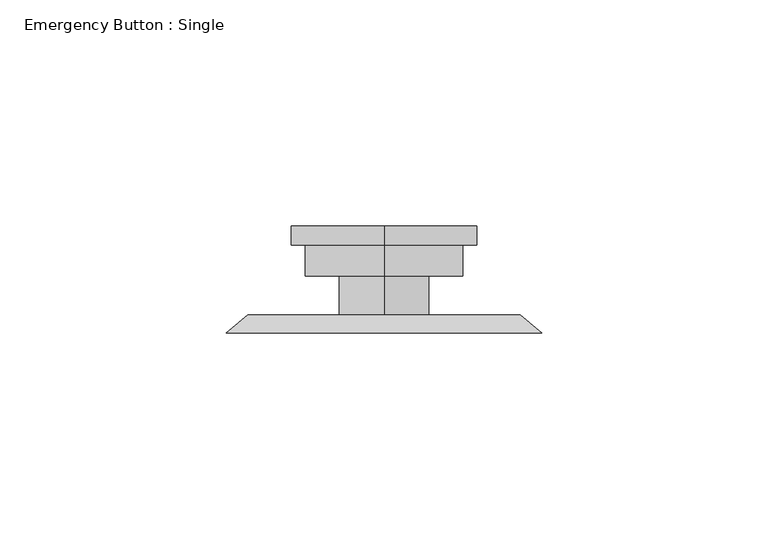
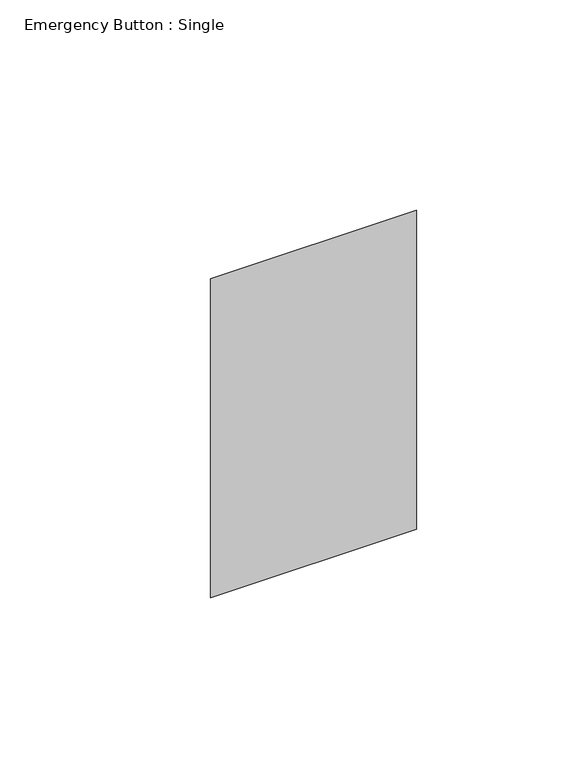
"""IFC4 building model written with IfcOpenShell, lengths in millimetres: proxy geometry, Emergency Button : Single."""

from ifc_helpers import new_model, si_unit, frame, origin, place, context, project, spatial, circle_curve, faceted_brep, source, transform, mapped, element, save
from ifc_brep_helpers import plane_surface, cylinder_surface, advanced_brep


def emergency_button_single_f2674c07(model_context):
    return source(origin(), model_context, "Body", "SolidModel", [
        faceted_brep([(-30.1625, 105.56875, 357.1875), (30.1625, 105.56875, 357.1875), (30.1625, 105.56875, 252.4125), (-30.1625, 105.56875, 252.4125), (-34.925, 101.6, 361.95), (-34.925, 101.6, 247.65), (34.925, 101.6, 247.65), (34.925, 101.6, 361.95)], [[[0, 1, 2, 3]], [[4, 5, 6, 7]], [[4, 7, 1, 0]], [[7, 6, 2, 1]], [[6, 5, 3, 2]], [[5, 4, 0, 3]]]),
        advanced_brep(
        [(0.0, 114.1897627, 304.8), (0.0, 114.1897627, 322.2625), (0.0, 114.1897627, 287.3375), (0.0, 125.3121019, 284.1539378), (0.0, 125.3121019, 325.4460622), (0.0, 125.3121019, 304.8), (0.0, 121.1022432, 284.1539378), (0.0, 121.1022432, 325.4460622), (0.0, 121.1022432, 287.3375), (0.0, 121.1022432, 322.2625)],
        [
            (0, 1),
            (1, 2, circle_curve(frame((0.0, 114.1897627, 304.8), z_axis=(0.0, -1.0, 0.0), x_axis=(0.0, 0.0, 1.0)), 17.4625)),
            (2, 0),
            (2, 1, circle_curve(frame((0.0, 114.1897627, 304.8), z_axis=(0.0, -1.0, 0.0), x_axis=(0.0, 0.0, 1.0)), 17.4625)),
            (3, 4, circle_curve(frame((0.0, 125.3121019, 304.8), z_axis=(0.0, 1.0, 0.0), x_axis=(0.0, 0.0, 1.0)), 20.6460622)),
            (4, 5),
            (5, 3),
            (4, 3, circle_curve(frame((0.0, 125.3121019, 304.8), z_axis=(0.0, 1.0, 0.0), x_axis=(0.0, 0.0, 1.0)), 20.6460622)),
            (6, 7, circle_curve(frame((0.0, 121.1022432, 304.8), z_axis=(0.0, 1.0, 0.0), x_axis=(0.0, 0.0, 1.0)), 20.6460622)),
            (7, 4),
            (3, 6),
            (7, 6, circle_curve(frame((0.0, 121.1022432, 304.8), z_axis=(0.0, 1.0, 0.0), x_axis=(0.0, 0.0, 1.0)), 20.6460622)),
            (8, 9, circle_curve(frame((0.0, 121.1022432, 304.8), z_axis=(0.0, 1.0, 0.0), x_axis=(0.0, 0.0, 1.0)), 17.4625)),
            (9, 7),
            (6, 8),
            (9, 8, circle_curve(frame((0.0, 121.1022432, 304.8), z_axis=(0.0, 1.0, 0.0), x_axis=(0.0, 0.0, 1.0)), 17.4625)),
            (1, 9),
            (8, 2),
        ],
        [
            plane_surface(frame((0.0, 114.1897627, 304.8), z_axis=(0.0, -1.0, 0.0), x_axis=(0.0, 0.0, 1.0))),
            plane_surface(frame((0.0, 125.3121019, 304.8), z_axis=(0.0, 1.0, 0.0), x_axis=(0.0, 0.0, 1.0))),
            cylinder_surface(frame((0.0, 148.034375, 304.8), z_axis=(0.0, -1.0, 0.0), x_axis=(0.0, 0.0, 1.0)), 20.6460622),
            plane_surface(frame((0.0, 121.1022432, 304.8), z_axis=(0.0, -1.0, 0.0), x_axis=(0.0, 0.0, 1.0))),
            cylinder_surface(frame((0.0, 148.034375, 304.8), z_axis=(0.0, -1.0, 0.0), x_axis=(0.0, 0.0, 1.0)), 17.4625),
        ],
        [
            (0, [[1, 2, 3]]),
            (0, [[-3, 4, -1]]),
            (1, [[5, 6, 7]]),
            (1, [[8, -7, -6]]),
            (2, [[9, 10, -5, 11]]),
            (2, [[12, -11, -8, -10]]),
            (3, [[13, 14, -9, 15]]),
            (3, [[16, -15, -12, -14]]),
            (4, [[-2, 17, -13, 18]]),
            (4, [[-4, -18, -16, -17]]),
        ],
    ),
        advanced_brep(
        [(0.0, 105.56875, 294.878125), (0.0, 105.56875, 314.721875), (0.0, 114.1897627, 314.721875), (0.0, 114.1897627, 294.878125), (0.0, 105.56875, 304.8), (0.0, 114.1897627, 304.8)],
        [
            (0, 1, circle_curve(frame((0.0, 105.56875, 304.8), z_axis=(0.0, 1.0, 0.0), x_axis=(0.0, 0.0, 1.0)), 9.921875)),
            (1, 2),
            (2, 3, circle_curve(frame((0.0, 114.1897627, 304.8), z_axis=(0.0, -1.0, 0.0), x_axis=(0.0, 0.0, 1.0)), 9.921875)),
            (3, 0),
            (1, 0, circle_curve(frame((0.0, 105.56875, 304.8), z_axis=(0.0, 1.0, 0.0), x_axis=(0.0, 0.0, 1.0)), 9.921875)),
            (3, 2, circle_curve(frame((0.0, 114.1897627, 304.8), z_axis=(0.0, -1.0, 0.0), x_axis=(0.0, 0.0, 1.0)), 9.921875)),
            (4, 1),
            (0, 4),
            (2, 5),
            (5, 3),
        ],
        [
            cylinder_surface(frame((0.0, 148.034375, 304.8), z_axis=(0.0, -1.0, 0.0), x_axis=(0.0, 0.0, 1.0)), 9.921875),
            plane_surface(frame((0.0, 105.56875, 304.8), z_axis=(0.0, -1.0, 0.0), x_axis=(0.0, 0.0, 1.0))),
            plane_surface(frame((0.0, 114.1897627, 304.8), z_axis=(0.0, 1.0, 0.0), x_axis=(0.0, 0.0, 1.0))),
        ],
        [
            (0, [[1, 2, 3, 4]]),
            (0, [[5, -4, 6, -2]]),
            (1, [[7, -1, 8]]),
            (1, [[-8, -5, -7]]),
            (2, [[-3, 9, 10]]),
            (2, [[-6, -10, -9]]),
        ],
    ),
    ])


if __name__ == "__main__":
    model = new_model("IFC4")
    model_context = context("Model", 3, world=origin())
    ifc_project = project(units=[si_unit("LENGTHUNIT", "METRE", prefix="MILLI")], contexts=[model_context])
    site = spatial("IfcSite", under=ifc_project)
    building = spatial("IfcBuilding", under=site)
    placement = place(None, origin())
    emergency_button_single_shape = emergency_button_single_f2674c07(model_context)
    element("IfcBuildingElementProxy", 1, Name="Emergency Button : Single", ObjectType="Emergency Button : Single", at=placement, inside=building, context=model_context, shape_type="MappedRepresentation", body=[
        mapped(emergency_button_single_shape, transform((0.0, 0.0, 0.0), x_axis=(1.0, 0.0, 0.0), y_axis=(0.0, 1.0, 0.0), z_axis=(0.0, 0.0, 1.0))),
    ])
    save(model, "model.ifc")
